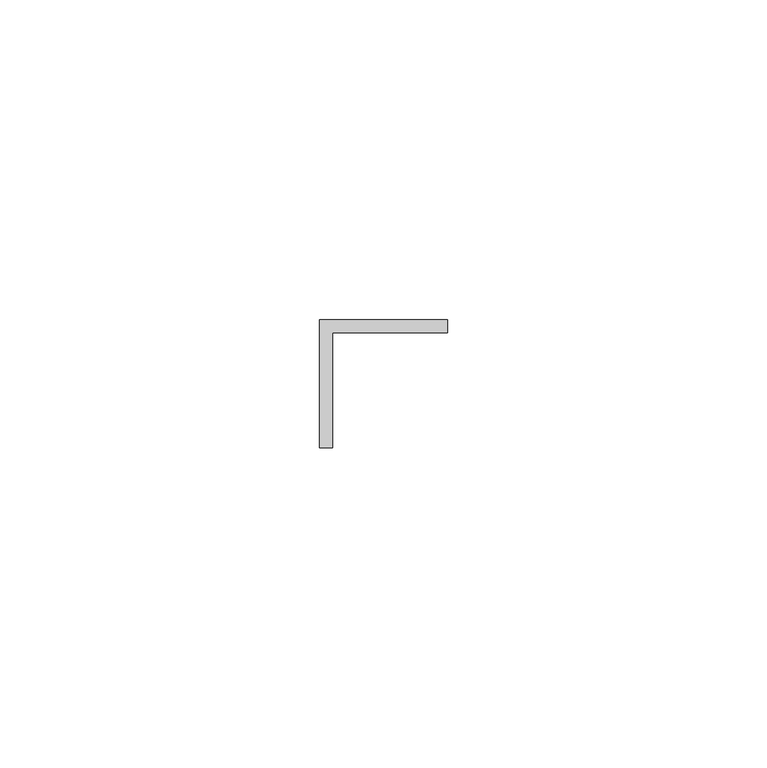
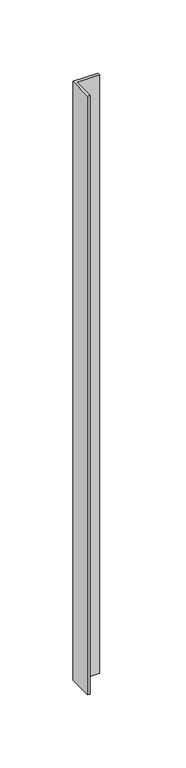
"""IFC4 building model written with IfcOpenShell, lengths in millimetres: proxy geometry."""

import ifcopenshell
import ifcopenshell.guid

model = None  # the IFC model being written
_history = None  # IfcOwnerHistory: only IFC2X3 demands one
_inside = {}  # id of a spatial element -> (the spatial element, [elements in it])
_under = {}  # id of a project, library or spatial element -> (it, [spatial elements below it])
_declared = {}  # id of a project -> (the project, [libraries it declares])
_typed = {}  # id of a type object -> (the type object, [elements of that type])
_made_of = {}  # id of a material, layer set ... -> (it, [elements and type objects made of it])


def new_model(schema):
    """Start an empty IFC model of exactly this schema.

    Asked for "IFC4X3", IfcOpenShell would pick the latest addendum, in which some entities
    have other attributes; the version numbers below select the first issue.
    IFC2X3 requires an IfcOwnerHistory on every rooted entity: one is made here for all.
    """
    global model, _history
    if schema == "IFC4X3":
        model = ifcopenshell.file(schema_version=(4, 3, 0, 0))
    else:
        model = ifcopenshell.file(schema=schema)
    _inside.clear()
    _under.clear()
    _declared.clear()
    _typed.clear()
    _made_of.clear()
    _history = None
    if model.schema == "IFC2X3":
        org = make("IfcOrganization", Name="unknown")
        user = make(
            "IfcPersonAndOrganization",
            ThePerson=make("IfcPerson", FamilyName="unknown"),
            TheOrganization=org,
        )
        app = make(
            "IfcApplication",
            ApplicationDeveloper=org,
            Version="unknown",
            ApplicationFullName="unknown",
            ApplicationIdentifier="unknown",
        )
        _history = make(
            "IfcOwnerHistory",
            OwningUser=user,
            OwningApplication=app,
            ChangeAction="ADDED",
            CreationDate=0,
        )
    return model


def make(cls, **values):
    """One entity of the class cls with the attributes given. An attribute that is None is left unset."""
    return model.create_entity(
        cls, **{name: value for name, value in values.items() if value is not None}
    )


def rooted(cls, **values):
    """An entity with a GlobalId (a new one), such as an element, a storey or a relation."""
    return make(cls, GlobalId=ifcopenshell.guid.new(), OwnerHistory=_history, **values)


def si_unit(unit_type, name, prefix=None):
    """IfcSIUnit, for example si_unit("LENGTHUNIT", "METRE", prefix="MILLI")."""
    return make("IfcSIUnit", UnitType=unit_type, Prefix=prefix, Name=name)


def assignment(units):
    """IfcUnitAssignment: the units of a project."""
    return None if units is None else make("IfcUnitAssignment", Units=units)


def point(xyz):
    """IfcCartesianPoint."""
    return None if xyz is None else make("IfcCartesianPoint", Coordinates=xyz)


def direction(xyz):
    """IfcDirection."""
    return None if xyz is None else make("IfcDirection", DirectionRatios=xyz)


def frame(location, z_axis=None, x_axis=None):
    """IfcAxis2Placement3D, a coordinate frame: its origin and axes. An axis left out is left unset."""
    return make(
        "IfcAxis2Placement3D",
        Location=point(location),
        Axis=direction(z_axis),
        RefDirection=direction(x_axis),
    )


def origin():
    """The frame at (0, 0, 0) with its axes left unset."""
    return frame((0.0, 0.0, 0.0))


def origin_with_axes():
    """The frame at (0, 0, 0) with the z axis (0, 0, 1) and the x axis (1, 0, 0) written out."""
    return frame((0.0, 0.0, 0.0), z_axis=(0.0, 0.0, 1.0), x_axis=(1.0, 0.0, 0.0))


def place(relative_to, where):
    """IfcLocalPlacement: puts the frame where relative to a parent placement (None: the world)."""
    return make(
        "IfcLocalPlacement", PlacementRelTo=relative_to, RelativePlacement=where
    )


def context(
    kind, dimensions, precision=None, world=None, true_north=None, identifier=None
):
    """IfcGeometricRepresentationContext, for example the 3D "Model" context."""
    return make(
        "IfcGeometricRepresentationContext",
        ContextIdentifier=identifier,
        ContextType=kind,
        CoordinateSpaceDimension=dimensions,
        Precision=precision,
        WorldCoordinateSystem=world,
        TrueNorth=true_north,
    )


def project(units=None, contexts=None):
    """IfcProject with its units and contexts."""
    return rooted(
        "IfcProject",
        Name="project",
        RepresentationContexts=contexts,
        UnitsInContext=assignment(units),
    )


def spatial(cls, under=None, at=None, **own):
    """A site, building, storey or space (cls), placed at a placement, below another one or the project."""
    s = rooted(cls, ObjectPlacement=at, **own)
    if under is not None:
        _under.setdefault(under.id(), (under, []))[1].append(s)
    return s


def polyline(points):
    """IfcPolyline through the points."""
    return make("IfcPolyline", Points=[point(p) for p in points])


def outline(outer, holes=None, kind="AREA"):
    """IfcArbitraryClosedProfileDef: a profile drawn as a closed curve; with holes, ...WithVoids."""
    if holes is None:
        return make("IfcArbitraryClosedProfileDef", ProfileType=kind, OuterCurve=outer)
    return make(
        "IfcArbitraryProfileDefWithVoids",
        ProfileType=kind,
        OuterCurve=outer,
        InnerCurves=holes,
    )


def extrude(swept, where, along, depth):
    """IfcExtrudedAreaSolid: the profile swept, set in the frame where, extruded along a direction by depth."""
    return make(
        "IfcExtrudedAreaSolid",
        SweptArea=swept,
        Position=where,
        ExtrudedDirection=direction(along),
        Depth=depth,
    )


def shape(context_of_items, identifier, shape_type, items):
    """IfcShapeRepresentation: the items that make up one representation, for example the "Body"."""
    return make(
        "IfcShapeRepresentation",
        ContextOfItems=context_of_items,
        RepresentationIdentifier=identifier,
        RepresentationType=shape_type,
        Items=items,
    )


def source(mapping_origin, context_of_items, identifier, shape_type, items):
    """IfcRepresentationMap: a shape defined once, which mapped items show again and again."""
    return make(
        "IfcRepresentationMap",
        MappingOrigin=mapping_origin,
        MappedRepresentation=shape(context_of_items, identifier, shape_type, items),
    )


def transform(
    local_origin,
    x_axis=None,
    y_axis=None,
    z_axis=None,
    scale=None,
    scale2=None,
    scale3=None,
    uniform=True,
):
    """IfcCartesianTransformationOperator3D, or its non-uniform kind. x_axis, y_axis, z_axis: its Axis1, 2, 3."""
    if uniform:
        return make(
            "IfcCartesianTransformationOperator3D",
            Axis1=direction(x_axis),
            Axis2=direction(y_axis),
            LocalOrigin=point(local_origin),
            Scale=scale,
            Axis3=direction(z_axis),
        )
    return make(
        "IfcCartesianTransformationOperator3DnonUniform",
        Axis1=direction(x_axis),
        Axis2=direction(y_axis),
        LocalOrigin=point(local_origin),
        Scale=scale,
        Axis3=direction(z_axis),
        Scale2=scale2,
        Scale3=scale3,
    )


def mapped(mapping_source, mapping_target):
    """IfcMappedItem: shows the shape of a source again, moved by a transform."""
    return make(
        "IfcMappedItem", MappingSource=mapping_source, MappingTarget=mapping_target
    )


def made_of(thing, what):
    """Note that an element or type object is made of a material, layer set ...; save() writes the relation."""
    if what is not None:
        _made_of.setdefault(what.id(), (what, []))[1].append(thing)
    return thing


def element(
    cls,
    number,
    at=None,
    inside=None,
    cuts=None,
    type_object=None,
    material=None,
    context=None,
    identifier="Body",
    shape_type=None,
    held_by="IfcProductDefinitionShape",
    body=None,
    shapes=None,
    **own,
):
    """One element of the class cls, such as IfcWall. Its Tag is "e" and its number.

    at: its placement. inside: the storey or other place that contains it. cuts: it is an
    opening in that element (IfcRelVoidsElement). A single representation is given by context,
    identifier, shape_type and body (its items); several are given by shapes. held_by: the class
    of the entity that holds the representations. save() writes the other relations.
    """
    e = rooted(cls, Tag="e%d" % number, ObjectPlacement=at, **own)
    if body is not None:
        shapes = [shape(context, identifier, shape_type, body)]
    if shapes is not None:
        e.Representation = make(held_by, Representations=shapes)
    if inside is not None:
        _inside.setdefault(inside.id(), (inside, []))[1].append(e)
    if cuts is not None:
        rooted(
            "IfcRelVoidsElement", RelatingBuildingElement=cuts, RelatedOpeningElement=e
        )
    if type_object is not None:
        _typed.setdefault(type_object.id(), (type_object, []))[1].append(e)
    return made_of(e, material)


def aggregate(whole, parts):
    """IfcRelAggregates: a whole, such as a stair, and the parts it consists of."""
    return rooted("IfcRelAggregates", RelatingObject=whole, RelatedObjects=parts)


def save(model, path):
    """Write the relations noted so far, then the file.

    IfcRelAggregates (storeys below a building ...), IfcRelContainedInSpatialStructure (elements
    in a storey), IfcRelDefinesByType, IfcRelAssociatesMaterial and IfcRelDeclares: one each for
    every whole, place, type object, material and project.
    """
    for whole, parts in _under.values():
        aggregate(whole, parts)
    for where, things in _inside.values():
        rooted(
            "IfcRelContainedInSpatialStructure",
            RelatedElements=things,
            RelatingStructure=where,
        )
    for kind, things in _typed.values():
        rooted("IfcRelDefinesByType", RelatedObjects=things, RelatingType=kind)
    for what, things in _made_of.values():
        rooted("IfcRelAssociatesMaterial", RelatedObjects=things, RelatingMaterial=what)
    for by, libraries in _declared.values():
        rooted("IfcRelDeclares", RelatingContext=by, RelatedDefinitions=libraries)
    model.write(path)


def generic_models_f0bb25b2(model_context):
    return source(origin(), model_context, "Body", "SweptSolid", [
        extrude(outline(polyline([(135.0, 70.0), (135.0, 90.0), (155.0, 90.0), (155.0, 88.0), (137.0, 88.0), (137.0, 70.0), (135.0, 70.0)])), origin_with_axes(), (0.0, 0.0, 1.0), 500.0),
    ])


if __name__ == "__main__":
    model = new_model("IFC4")
    model_context = context("Model", 3, world=origin())
    ifc_project = project(units=[si_unit("LENGTHUNIT", "METRE", prefix="MILLI")], contexts=[model_context])
    site = spatial("IfcSite", under=ifc_project)
    building = spatial("IfcBuilding", under=site)
    placement = place(None, origin())
    generic_models_shape = generic_models_f0bb25b2(model_context)
    element("IfcBuildingElementProxy", 1, Name="Generic Models", at=placement, inside=building, context=model_context, shape_type="MappedRepresentation", body=[
        mapped(generic_models_shape, transform((0.0, 0.0, 0.0), x_axis=(1.0, 0.0, 0.0), y_axis=(0.0, 1.0, 0.0), z_axis=(0.0, 0.0, 1.0))),
    ])
    save(model, "model.ifc")
